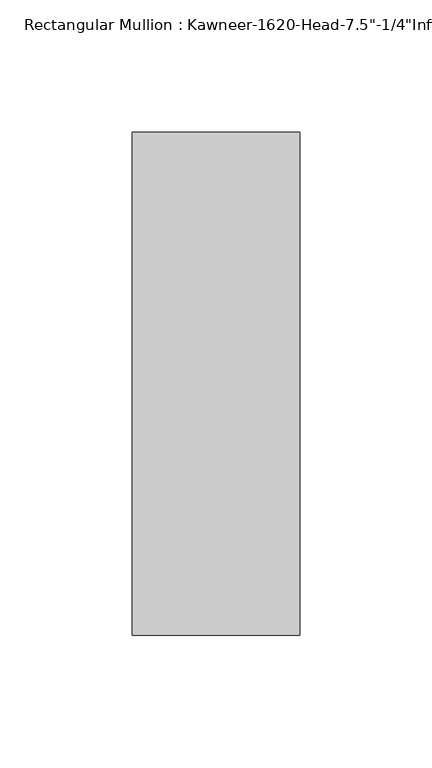
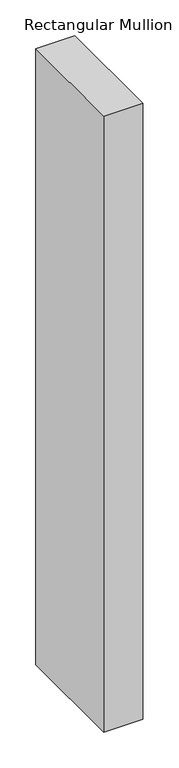
"""IFC4 building model written with IfcOpenShell, lengths in millimetres: member geometry."""

from ifc_helpers import new_model, si_unit, frame, origin, place, context, project, spatial, polyline, outline, extrude, source, transform, mapped, element, save


def member_7872d3fa(model_context):
    return source(origin(), model_context, "Body", "SweptSolid", [
        extrude(outline(polyline([(-63.5, 28.575), (0.0, 28.575), (0.0, -161.925), (-63.5, -161.925), (-63.5, 28.575)])), frame((0.0, 0.0, -1054.1), z_axis=(0.0, 0.0, 1.0), x_axis=(1.0, 0.0, 0.0)), (0.0, 0.0, 1.0), 1054.1),
    ])


if __name__ == "__main__":
    model = new_model("IFC4")
    model_context = context("Model", 3, world=origin())
    ifc_project = project(units=[si_unit("LENGTHUNIT", "METRE", prefix="MILLI")], contexts=[model_context])
    site = spatial("IfcSite", under=ifc_project)
    building = spatial("IfcBuilding", under=site)
    placement = place(None, origin())
    member_shape = member_7872d3fa(model_context)
    element("IfcMember", 1, ObjectType="Rectangular Mullion : Kawneer-1620-Head-7.5\"-1/4\"Infill-1C", at=placement, inside=building, context=model_context, shape_type="MappedRepresentation", body=[
        mapped(member_shape, transform((0.0, 0.0, 0.0), x_axis=(1.0, 0.0, 0.0), y_axis=(0.0, 1.0, 0.0), z_axis=(0.0, 0.0, 1.0))),
    ])
    save(model, "model.ifc")
